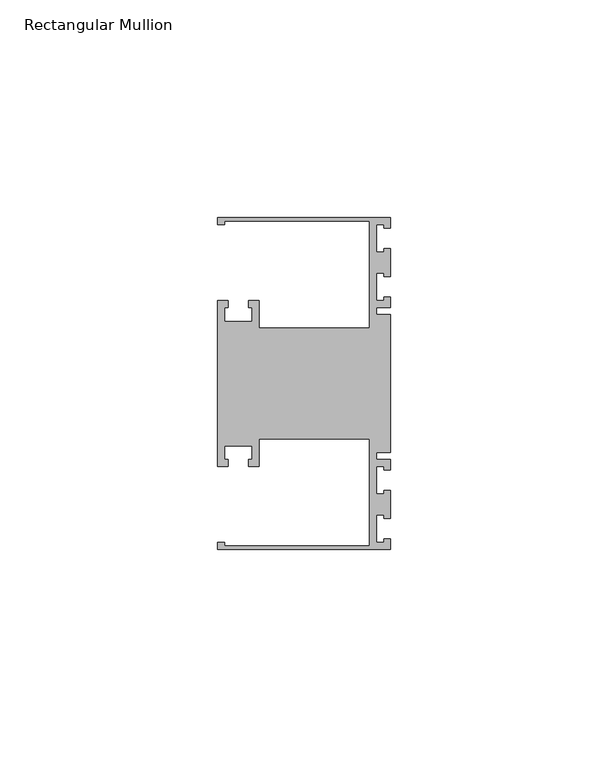
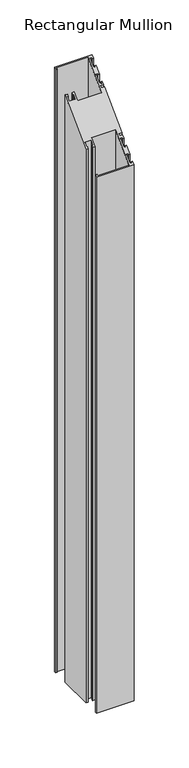
"""IFC4 building model written with IfcOpenShell, lengths in millimetres: member geometry, Rectangular Mullion."""

from ifc_helpers import new_model, si_unit, origin, place, context, project, spatial, faceted_brep, source, transform, mapped, element, save


def rectangular_mullion_f3e61528(model_context):
    return source(origin(), model_context, "Body", "Brep", [
        faceted_brep([(0.0, 38.1, -635.0), (0.0, 35.71875, -635.0), (-1.4999946, 35.71875, -635.0), (-1.4999946, 36.5125, -635.0), (-3.175, 36.5125, -635.0), (-3.175, 30.1625, -635.0), (-1.4999946, 30.1625, -635.0), (-1.4999946, 30.95625, -635.0), (0.0, 30.95625, -635.0), (0.0, 24.60625, -635.0), (-1.4999946, 24.60625, -635.0), (-1.4999946, 25.4, -635.0), (-3.175, 25.4, -635.0), (-3.175, 19.05, -635.0), (-1.4999946, 19.05, -635.0), (-1.4999946, 19.84375, -635.0), (0.0, 19.84375, -635.0), (0.0, 17.4625, -635.0), (-3.175, 17.4625, -635.0), (-3.175, 15.875, -635.0), (0.0, 15.875, -635.0), (0.0, -15.875, -635.0), (-3.175, -15.875, -635.0), (-3.175, -17.4625, -635.0), (0.0, -17.4625, -635.0), (0.0, -19.84375, -635.0), (-1.4999946, -19.84375, -635.0), (-1.4999946, -19.05, -635.0), (-3.175, -19.05, -635.0), (-3.175, -25.4, -635.0), (-1.4999946, -25.4, -635.0), (-1.4999946, -24.60625, -635.0), (0.0, -24.60625, -635.0), (0.0, -30.95625, -635.0), (-1.4999946, -30.95625, -635.0), (-1.4999946, -30.1625, -635.0), (-3.175, -30.1625, -635.0), (-3.175, -36.5125, -635.0), (-1.4999946, -36.5125, -635.0), (-1.4999946, -35.71875, -635.0), (0.0, -35.71875, -635.0), (0.0, -38.1, -635.0), (-39.6875, -38.1, -635.0), (-39.6875, -36.5125, -635.0), (-38.1, -36.5125, -635.0), (-38.1, -37.30625, -635.0), (-4.7625, -37.30625, -635.0), (-4.7625, -12.7, -635.0), (-30.1625, -12.7, -635.0), (-30.1625, -19.05, -635.0), (-32.54375, -19.05, -635.0), (-32.54375, -17.4625, -635.0), (-31.75, -17.4625, -635.0), (-31.75, -14.2875, -635.0), (-38.1, -14.2875, -635.0), (-38.1, -17.4625, -635.0), (-37.30625, -17.4625, -635.0), (-37.30625, -19.05, -635.0), (-39.6875, -19.05, -635.0), (-39.6875, 19.05, -635.0), (-37.30625, 19.05, -635.0), (-37.30625, 17.4625, -635.0), (-38.1, 17.4625, -635.0), (-38.1, 14.2875, -635.0), (-31.75, 14.2875, -635.0), (-31.75, 17.4625, -635.0), (-32.54375, 17.4625, -635.0), (-32.54375, 19.05, -635.0), (-30.1625, 19.05, -635.0), (-30.1625, 12.7, -635.0), (-4.7625, 12.7, -635.0), (-4.7625, 37.30625, -635.0), (-38.1, 37.30625, -635.0), (-38.1, 36.5125, -635.0), (-39.6875, 36.5125, -635.0), (-39.6875, 38.1, -635.0), (-39.6875, 38.1, 38.1), (0.0, 38.1, 38.1), (-39.6875, 36.5125, 36.5125), (-38.1, 36.5125, 36.5125), (-38.1, 37.30625, 37.30625), (-4.7625, 37.30625, 37.30625), (-4.7625, 12.7, 12.7), (-30.1625, 12.7, 12.7), (-30.1625, 19.05, 19.05), (-32.54375, 19.05, 19.05), (-32.54375, 17.4625, 17.4625), (-31.75, 17.4625, 17.4625), (-31.75, 14.2875, 14.2875), (-38.1, 14.2875, 14.2875), (-38.1, 17.4625, 17.4625), (-37.30625, 17.4625, 17.4625), (-37.30625, 19.05, 19.05), (-39.6875, 19.05, 19.05), (-39.6875, -19.05, -19.05), (-37.30625, -19.05, -19.05), (-37.30625, -17.4625, -17.4625), (-38.1, -17.4625, -17.4625), (-38.1, -14.2875, -14.2875), (-31.75, -14.2875, -14.2875), (-31.75, -17.4625, -17.4625), (-32.54375, -17.4625, -17.4625), (-32.54375, -19.05, -19.05), (-30.1625, -19.05, -19.05), (-30.1625, -12.7, -12.7), (-4.7625, -12.7, -12.7), (-4.7625, -37.30625, -37.30625), (-38.1, -37.30625, -37.30625), (-38.1, -36.5125, -36.5125), (-39.6875, -36.5125, -36.5125), (-39.6875, -38.1, -38.1), (0.0, -38.1, -38.1), (0.0, -35.71875, -35.71875), (-1.4999946, -35.71875, -35.71875), (-1.4999946, -36.5125, -36.5125), (-3.175, -36.5125, -36.5125), (-3.175, -30.1625, -30.1625), (-1.4999946, -30.1625, -30.1625), (-1.4999946, -30.95625, -30.95625), (0.0, -30.95625, -30.95625), (0.0, -24.60625, -24.60625), (-1.4999946, -24.60625, -24.60625), (-1.4999946, -25.4, -25.4), (-3.175, -25.4, -25.4), (-3.175, -19.05, -19.05), (-1.4999946, -19.05, -19.05), (-1.4999946, -19.84375, -19.84375), (0.0, -19.84375, -19.84375), (0.0, -17.4625, -17.4625), (-3.175, -17.4625, -17.4625), (-3.175, -15.875, -15.875), (0.0, -15.875, -15.875), (0.0, 15.875, 15.875), (-3.175, 15.875, 15.875), (-3.175, 17.4625, 17.4625), (0.0, 17.4625, 17.4625), (0.0, 19.84375, 19.84375), (-1.4999946, 19.84375, 19.84375), (-1.4999946, 19.05, 19.05), (-3.175, 19.05, 19.05), (-3.175, 25.4, 25.4), (-1.4999946, 25.4, 25.4), (-1.4999946, 24.60625, 24.60625), (0.0, 24.60625, 24.60625), (0.0, 30.95625, 30.95625), (-1.4999946, 30.95625, 30.95625), (-1.4999946, 30.1625, 30.1625), (-3.175, 30.1625, 30.1625), (-3.175, 36.5125, 36.5125), (-1.4999946, 36.5125, 36.5125), (-1.4999946, 35.71875, 35.71875), (0.0, 35.71875, 35.71875)], [[[0, 1, 2, 3, 4, 5, 6, 7, 8, 9, 10, 11, 12, 13, 14, 15, 16, 17, 18, 19, 20, 21, 22, 23, 24, 25, 26, 27, 28, 29, 30, 31, 32, 33, 34, 35, 36, 37, 38, 39, 40, 41, 42, 43, 44, 45, 46, 47, 48, 49, 50, 51, 52, 53, 54, 55, 56, 57, 58, 59, 60, 61, 62, 63, 64, 65, 66, 67, 68, 69, 70, 71, 72, 73, 74, 75]], [[76, 77, 0, 75]], [[78, 76, 75, 74]], [[79, 78, 74, 73]], [[80, 79, 73, 72]], [[81, 80, 72, 71]], [[82, 81, 71, 70]], [[83, 82, 70, 69]], [[84, 83, 69, 68]], [[85, 84, 68, 67]], [[86, 85, 67, 66]], [[87, 86, 66, 65]], [[88, 87, 65, 64]], [[89, 88, 64, 63]], [[90, 89, 63, 62]], [[91, 90, 62, 61]], [[92, 91, 61, 60]], [[93, 92, 60, 59]], [[94, 93, 59, 58]], [[95, 94, 58, 57]], [[96, 95, 57, 56]], [[97, 96, 56, 55]], [[98, 97, 55, 54]], [[99, 98, 54, 53]], [[100, 99, 53, 52]], [[101, 100, 52, 51]], [[102, 101, 51, 50]], [[103, 102, 50, 49]], [[104, 103, 49, 48]], [[105, 104, 48, 47]], [[106, 105, 47, 46]], [[107, 106, 46, 45]], [[108, 107, 45, 44]], [[109, 108, 44, 43]], [[110, 109, 43, 42]], [[111, 110, 42, 41]], [[112, 111, 41, 40]], [[113, 112, 40, 39]], [[114, 113, 39, 38]], [[115, 114, 38, 37]], [[116, 115, 37, 36]], [[117, 116, 36, 35]], [[118, 117, 35, 34]], [[119, 118, 34, 33]], [[120, 119, 33, 32]], [[121, 120, 32, 31]], [[122, 121, 31, 30]], [[123, 122, 30, 29]], [[124, 123, 29, 28]], [[125, 124, 28, 27]], [[126, 125, 27, 26]], [[127, 126, 26, 25]], [[128, 127, 25, 24]], [[129, 128, 24, 23]], [[130, 129, 23, 22]], [[131, 130, 22, 21]], [[132, 131, 21, 20]], [[133, 132, 20, 19]], [[134, 133, 19, 18]], [[135, 134, 18, 17]], [[136, 135, 17, 16]], [[137, 136, 16, 15]], [[138, 137, 15, 14]], [[139, 138, 14, 13]], [[140, 139, 13, 12]], [[141, 140, 12, 11]], [[142, 141, 11, 10]], [[143, 142, 10, 9]], [[144, 143, 9, 8]], [[145, 144, 8, 7]], [[146, 145, 7, 6]], [[147, 146, 6, 5]], [[148, 147, 5, 4]], [[149, 148, 4, 3]], [[150, 149, 3, 2]], [[151, 150, 2, 1]], [[77, 151, 1, 0]], [[77, 76, 78, 79, 80, 81, 82, 83, 84, 85, 86, 87, 88, 89, 90, 91, 92, 93, 94, 95, 96, 97, 98, 99, 100, 101, 102, 103, 104, 105, 106, 107, 108, 109, 110, 111, 112, 113, 114, 115, 116, 117, 118, 119, 120, 121, 122, 123, 124, 125, 126, 127, 128, 129, 130, 131, 132, 133, 134, 135, 136, 137, 138, 139, 140, 141, 142, 143, 144, 145, 146, 147, 148, 149, 150, 151]]]),
    ])


if __name__ == "__main__":
    model = new_model("IFC4")
    model_context = context("Model", 3, world=origin())
    ifc_project = project(units=[si_unit("LENGTHUNIT", "METRE", prefix="MILLI")], contexts=[model_context])
    site = spatial("IfcSite", under=ifc_project)
    building = spatial("IfcBuilding", under=site)
    placement = place(None, origin())
    rectangular_mullion_shape = rectangular_mullion_f3e61528(model_context)
    element("IfcMember", 1, ObjectType="Rectangular Mullion", at=placement, inside=building, context=model_context, shape_type="MappedRepresentation", body=[
        mapped(rectangular_mullion_shape, transform((0.0, 0.0, 0.0), x_axis=(1.0, 0.0, 0.0), y_axis=(0.0, 1.0, 0.0), z_axis=(0.0, 0.0, 1.0))),
    ])
    save(model, "model.ifc")
